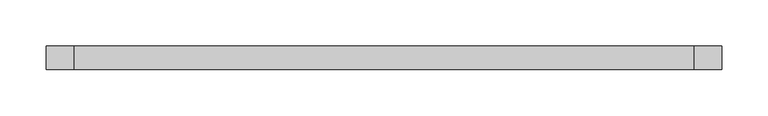
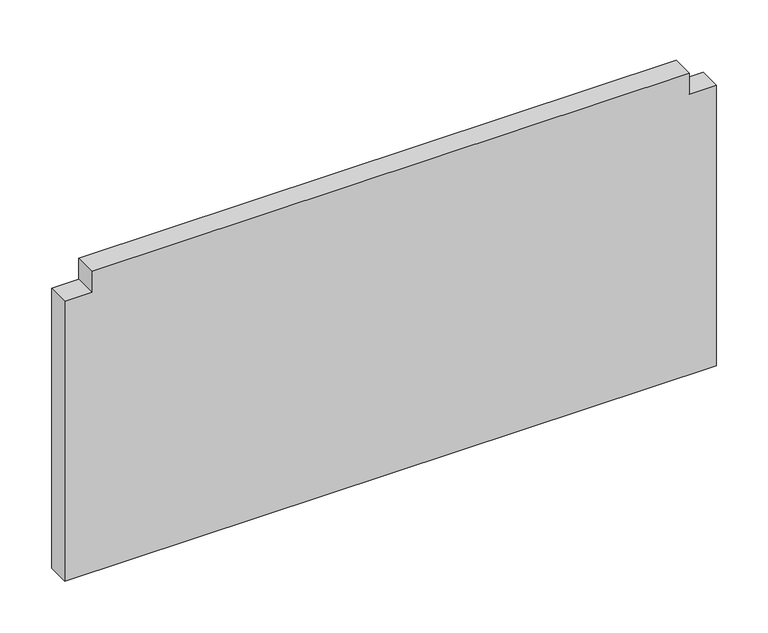
"""IFC4 building model written with IfcOpenShell, lengths in millimetres: proxy geometry."""

from ifc_helpers import new_model, si_unit, frame, origin, place, context, project, spatial, polyline, outline, extrude, source, transform, mapped, element, save


def generic_models_b59d30cb(model_context):
    return source(origin(), model_context, "Body", "SweptSolid", [
        extrude(outline(polyline([(941.8066605, -30.4037886), (966.3431473, -30.4037886), (966.3431473, -700.2017857), (941.8066605, -700.2017857), (941.8066605, -730.6055984), (609.6000484, -730.6055984), (609.6000484, 0.0), (941.8066605, 0.0), (941.8066605, -30.4037886)])), frame((0.0, -25.4, 0.0), z_axis=(0.0, 1.0, 0.0), x_axis=(0.0, 0.0, 1.0)), (0.0, 0.0, 1.0), 25.4),
    ])


if __name__ == "__main__":
    model = new_model("IFC4")
    model_context = context("Model", 3, world=origin())
    ifc_project = project(units=[si_unit("LENGTHUNIT", "METRE", prefix="MILLI")], contexts=[model_context])
    site = spatial("IfcSite", under=ifc_project)
    building = spatial("IfcBuilding", under=site)
    placement = place(None, origin())
    generic_models_shape = generic_models_b59d30cb(model_context)
    element("IfcBuildingElementProxy", 1, Name="Generic Models", at=placement, inside=building, context=model_context, shape_type="MappedRepresentation", body=[
        mapped(generic_models_shape, transform((0.0, 0.0, 0.0), x_axis=(1.0, 0.0, 0.0), y_axis=(0.0, 1.0, 0.0), z_axis=(0.0, 0.0, 1.0))),
    ])
    save(model, "model.ifc")
